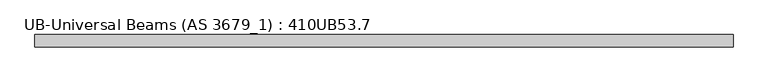
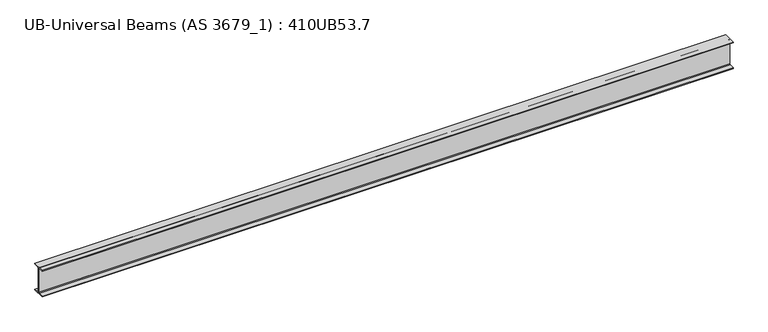
"""IFC4 building model written with IfcOpenShell, lengths in millimetres: beam geometry, UB-Universal Beams (AS 3679_1) : 410UB53.7."""

from ifc_helpers import new_model, si_unit, point, frame, frame_2d, origin, place, context, project, spatial, polyline, circle_curve, trimmed, segment, composite_curve, outline, extrude, source, transform, mapped, element, save


def ub_universal_beams_as_3679_1_410ub53_7_3d9ad3e2(model_context):
    return source(origin(), model_context, "Body", "SweptSolid", [
        extrude(outline(composite_curve([segment(polyline([(89.0, -190.4), (89.0, -201.3), (-89.0, -201.3), (-89.0, -190.4), (-15.2, -190.4)]), True, "CONTINUOUS"), segment(trimmed(circle_curve(frame_2d((-15.2, -179.0)), 11.4), [point((-15.2, -190.4))], [point((-3.8, -179.0))], True, "CARTESIAN"), True, "CONTINUOUS"), segment(polyline([(-3.8, -179.0), (-3.8, 179.0)]), True, "CONTINUOUS"), segment(trimmed(circle_curve(frame_2d((-15.2, 179.0)), 11.4), [point((-3.8, 179.0))], [point((-15.2, 190.4))], True, "CARTESIAN"), True, "CONTINUOUS"), segment(polyline([(-15.2, 190.4), (-89.0, 190.4), (-89.0, 201.3), (89.0, 201.3), (89.0, 190.4), (15.2, 190.4)]), True, "CONTINUOUS"), segment(trimmed(circle_curve(frame_2d((15.2, 179.0)), 11.4), [point((15.2, 190.4))], [point((3.8, 179.0))], True, "CARTESIAN"), True, "CONTINUOUS"), segment(polyline([(3.8, 179.0), (3.8, -179.0)]), True, "CONTINUOUS"), segment(trimmed(circle_curve(frame_2d((15.2, -179.0)), 11.4), [point((3.8, -179.0))], [point((15.2, -190.4))], True, "CARTESIAN"), True, "CONTINUOUS"), segment(polyline([(15.2, -190.4), (89.0, -190.4)]), True, "CONTINUOUS")], self_intersect=False)), frame((-4960.8, 0.0, 0.0), z_axis=(1.0, 0.0, 0.0), x_axis=(0.0, 1.0, 0.0)), (0.0, 0.0, 1.0), 9921.6),
    ])


if __name__ == "__main__":
    model = new_model("IFC4")
    model_context = context("Model", 3, world=origin())
    ifc_project = project(units=[si_unit("LENGTHUNIT", "METRE", prefix="MILLI")], contexts=[model_context])
    site = spatial("IfcSite", under=ifc_project)
    building = spatial("IfcBuilding", under=site)
    placement = place(None, origin())
    ub_universal_beams_as_3679_1_410ub53_7_shape = ub_universal_beams_as_3679_1_410ub53_7_3d9ad3e2(model_context)
    element("IfcBeam", 1, ObjectType="UB-Universal Beams (AS 3679_1) : 410UB53.7", at=placement, inside=building, context=model_context, shape_type="MappedRepresentation", body=[
        mapped(ub_universal_beams_as_3679_1_410ub53_7_shape, transform((0.0, 0.0, 0.0), x_axis=(1.0, 0.0, 0.0), y_axis=(0.0, 1.0, 0.0), z_axis=(0.0, 0.0, 1.0))),
    ])
    save(model, "model.ifc")
